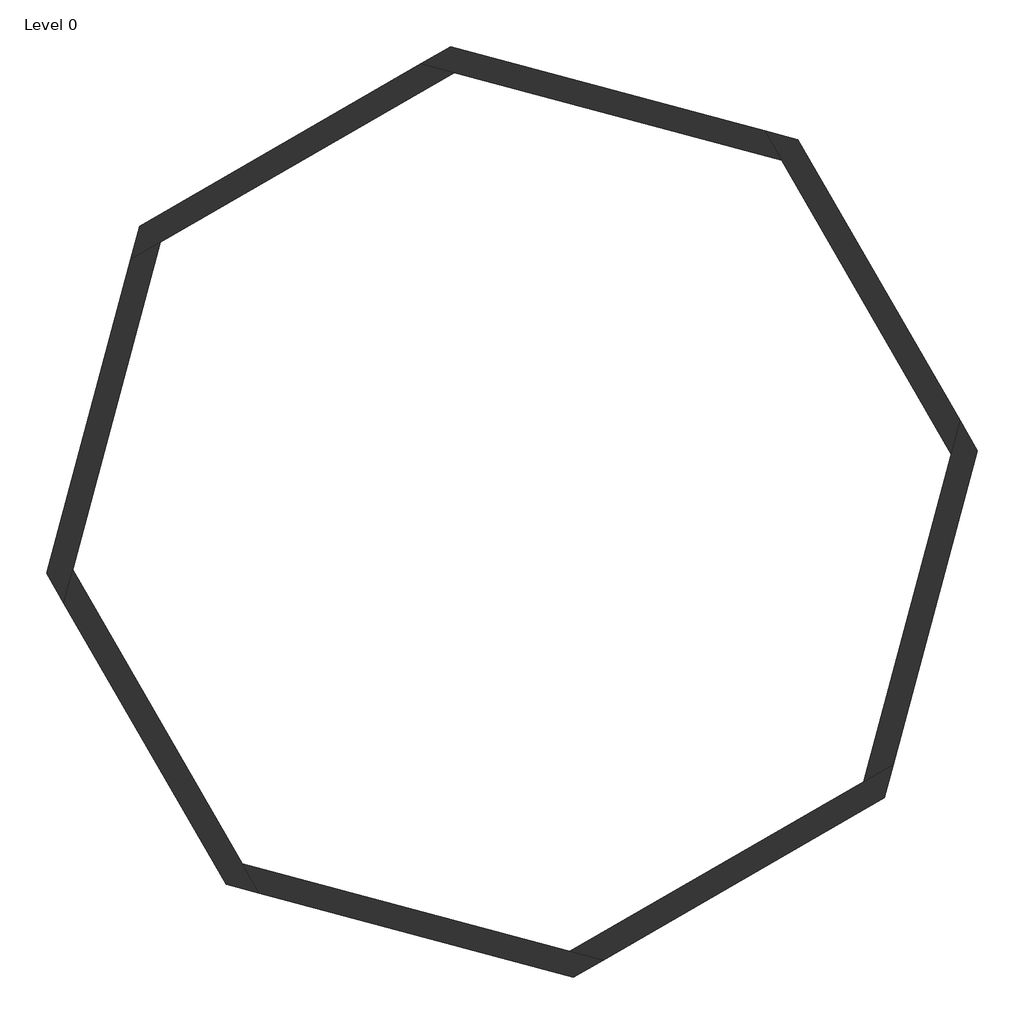
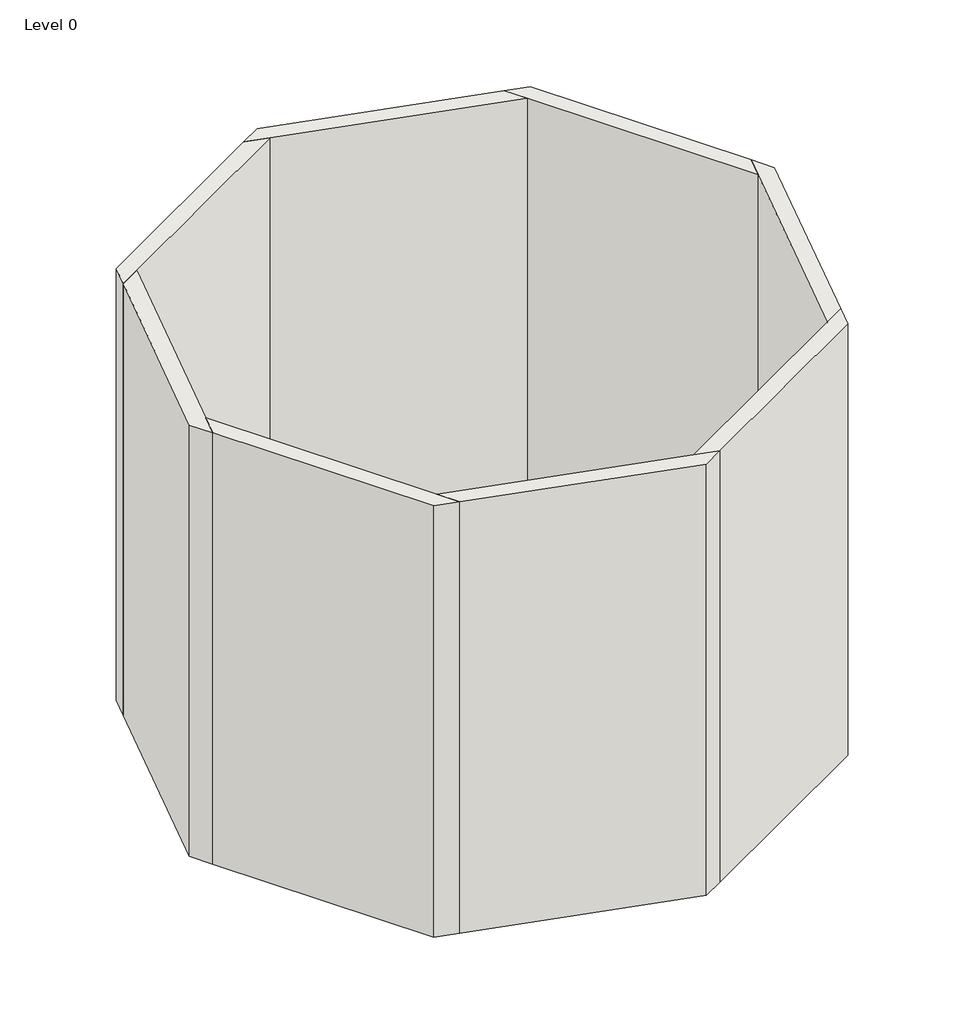
# One storey: 8 walls.
"""IFC4 building model written with IfcOpenShell, lengths in millimetres."""

import ifcopenshell
import ifcopenshell.guid

model = None  # the IFC model being written
_history = None  # IfcOwnerHistory: only IFC2X3 demands one
_inside = {}  # id of a spatial element -> (the spatial element, [elements in it])
_under = {}  # id of a project, library or spatial element -> (it, [spatial elements below it])
_declared = {}  # id of a project -> (the project, [libraries it declares])
_typed = {}  # id of a type object -> (the type object, [elements of that type])
_made_of = {}  # id of a material, layer set ... -> (it, [elements and type objects made of it])


def new_model(schema):
    """Start an empty IFC model of exactly this schema.

    Asked for "IFC4X3", IfcOpenShell would pick the latest addendum, in which some entities
    have other attributes; the version numbers below select the first issue.
    IFC2X3 requires an IfcOwnerHistory on every rooted entity: one is made here for all.
    """
    global model, _history
    if schema == "IFC4X3":
        model = ifcopenshell.file(schema_version=(4, 3, 0, 0))
    else:
        model = ifcopenshell.file(schema=schema)
    _inside.clear()
    _under.clear()
    _declared.clear()
    _typed.clear()
    _made_of.clear()
    _history = None
    if model.schema == "IFC2X3":
        org = make("IfcOrganization", Name="unknown")
        user = make(
            "IfcPersonAndOrganization",
            ThePerson=make("IfcPerson", FamilyName="unknown"),
            TheOrganization=org,
        )
        app = make(
            "IfcApplication",
            ApplicationDeveloper=org,
            Version="unknown",
            ApplicationFullName="unknown",
            ApplicationIdentifier="unknown",
        )
        _history = make(
            "IfcOwnerHistory",
            OwningUser=user,
            OwningApplication=app,
            ChangeAction="ADDED",
            CreationDate=0,
        )
    return model


def make(cls, **values):
    """One entity of the class cls with the attributes given. An attribute that is None is left unset."""
    return model.create_entity(
        cls, **{name: value for name, value in values.items() if value is not None}
    )


def rooted(cls, **values):
    """An entity with a GlobalId (a new one), such as an element, a storey or a relation."""
    return make(cls, GlobalId=ifcopenshell.guid.new(), OwnerHistory=_history, **values)


def si_unit(unit_type, name, prefix=None):
    """IfcSIUnit, for example si_unit("LENGTHUNIT", "METRE", prefix="MILLI")."""
    return make("IfcSIUnit", UnitType=unit_type, Prefix=prefix, Name=name)


def assignment(units):
    """IfcUnitAssignment: the units of a project."""
    return None if units is None else make("IfcUnitAssignment", Units=units)


def point(xyz):
    """IfcCartesianPoint."""
    return None if xyz is None else make("IfcCartesianPoint", Coordinates=xyz)


def direction(xyz):
    """IfcDirection."""
    return None if xyz is None else make("IfcDirection", DirectionRatios=xyz)


def frame(location, z_axis=None, x_axis=None):
    """IfcAxis2Placement3D, a coordinate frame: its origin and axes. An axis left out is left unset."""
    return make(
        "IfcAxis2Placement3D",
        Location=point(location),
        Axis=direction(z_axis),
        RefDirection=direction(x_axis),
    )


def origin():
    """The frame at (0, 0, 0) with its axes left unset."""
    return frame((0.0, 0.0, 0.0))


def place(relative_to, where):
    """IfcLocalPlacement: puts the frame where relative to a parent placement (None: the world)."""
    return make(
        "IfcLocalPlacement", PlacementRelTo=relative_to, RelativePlacement=where
    )


def context(
    kind, dimensions, precision=None, world=None, true_north=None, identifier=None
):
    """IfcGeometricRepresentationContext, for example the 3D "Model" context."""
    return make(
        "IfcGeometricRepresentationContext",
        ContextIdentifier=identifier,
        ContextType=kind,
        CoordinateSpaceDimension=dimensions,
        Precision=precision,
        WorldCoordinateSystem=world,
        TrueNorth=true_north,
    )


def project(units=None, contexts=None):
    """IfcProject with its units and contexts."""
    return rooted(
        "IfcProject",
        Name="project",
        RepresentationContexts=contexts,
        UnitsInContext=assignment(units),
    )


def spatial(cls, under=None, at=None, **own):
    """A site, building, storey or space (cls), placed at a placement, below another one or the project."""
    s = rooted(cls, ObjectPlacement=at, **own)
    if under is not None:
        _under.setdefault(under.id(), (under, []))[1].append(s)
    return s


def faces_of(points, faces, orient=None, outer=None):
    """IfcFace entities. A face is a list of loops; a loop is a list of indices into points, from 0.

    orient and outer hold one flag for each loop. By default every Orientation is true, the
    first loop of a face is its IfcFaceOuterBound and the others are IfcFaceBound.
    """
    made = []
    for i, loops in enumerate(faces):
        bounds = []
        for j, loop in enumerate(loops):
            is_outer = j == 0 if outer is None else outer[i][j]
            bounds.append(
                make(
                    "IfcFaceOuterBound" if is_outer else "IfcFaceBound",
                    Bound=make("IfcPolyLoop", Polygon=[points[k] for k in loop]),
                    Orientation=True if orient is None else orient[i][j],
                )
            )
        made.append(make("IfcFace", Bounds=bounds))
    return made


def faceted_brep(points, faces, orient=None, outer=None, voids=None):
    """IfcFacetedBrep: a solid bounded by flat faces; with voids (closed shells), ...WithVoids."""
    shared = [point(p) for p in points]
    hull = make("IfcClosedShell", CfsFaces=faces_of(shared, faces, orient, outer))
    if voids is None:
        return make("IfcFacetedBrep", Outer=hull)
    return make(
        "IfcFacetedBrepWithVoids",
        Outer=hull,
        Voids=[
            make(cls, CfsFaces=faces_of(shared, fs, o, b)) for cls, fs, o, b in voids
        ],
    )


def shape(context_of_items, identifier, shape_type, items):
    """IfcShapeRepresentation: the items that make up one representation, for example the "Body"."""
    return make(
        "IfcShapeRepresentation",
        ContextOfItems=context_of_items,
        RepresentationIdentifier=identifier,
        RepresentationType=shape_type,
        Items=items,
    )


def made_of(thing, what):
    """Note that an element or type object is made of a material, layer set ...; save() writes the relation."""
    if what is not None:
        _made_of.setdefault(what.id(), (what, []))[1].append(thing)
    return thing


def element(
    cls,
    number,
    at=None,
    inside=None,
    cuts=None,
    type_object=None,
    material=None,
    context=None,
    identifier="Body",
    shape_type=None,
    held_by="IfcProductDefinitionShape",
    body=None,
    shapes=None,
    **own,
):
    """One element of the class cls, such as IfcWall. Its Tag is "e" and its number.

    at: its placement. inside: the storey or other place that contains it. cuts: it is an
    opening in that element (IfcRelVoidsElement). A single representation is given by context,
    identifier, shape_type and body (its items); several are given by shapes. held_by: the class
    of the entity that holds the representations. save() writes the other relations.
    """
    e = rooted(cls, Tag="e%d" % number, ObjectPlacement=at, **own)
    if body is not None:
        shapes = [shape(context, identifier, shape_type, body)]
    if shapes is not None:
        e.Representation = make(held_by, Representations=shapes)
    if inside is not None:
        _inside.setdefault(inside.id(), (inside, []))[1].append(e)
    if cuts is not None:
        rooted(
            "IfcRelVoidsElement", RelatingBuildingElement=cuts, RelatedOpeningElement=e
        )
    if type_object is not None:
        _typed.setdefault(type_object.id(), (type_object, []))[1].append(e)
    return made_of(e, material)


def aggregate(whole, parts):
    """IfcRelAggregates: a whole, such as a stair, and the parts it consists of."""
    return rooted("IfcRelAggregates", RelatingObject=whole, RelatedObjects=parts)


def save(model, path):
    """Write the relations noted so far, then the file.

    IfcRelAggregates (storeys below a building ...), IfcRelContainedInSpatialStructure (elements
    in a storey), IfcRelDefinesByType, IfcRelAssociatesMaterial and IfcRelDeclares: one each for
    every whole, place, type object, material and project.
    """
    for whole, parts in _under.values():
        aggregate(whole, parts)
    for where, things in _inside.values():
        rooted(
            "IfcRelContainedInSpatialStructure",
            RelatedElements=things,
            RelatingStructure=where,
        )
    for kind, things in _typed.values():
        rooted("IfcRelDefinesByType", RelatedObjects=things, RelatingType=kind)
    for what, things in _made_of.values():
        rooted("IfcRelAssociatesMaterial", RelatedObjects=things, RelatingMaterial=what)
    for by, libraries in _declared.values():
        rooted("IfcRelDeclares", RelatingContext=by, RelatedDefinitions=libraries)
    model.write(path)


model = new_model("IFC4")

# Units and contexts
model_context = context("Model", 3, world=origin())
ifc_project = project(units=[si_unit("LENGTHUNIT", "METRE", prefix="MILLI")], contexts=[model_context])

# Site, building, storey
site = spatial("IfcSite", under=ifc_project)
building = spatial("IfcBuilding", under=site)
storey = spatial("IfcBuildingStorey", under=building, Name="Level 0", Elevation=0.0)

# Walls
placement = place(None, origin())
element("IfcWall", 1, at=placement, inside=storey, context=model_context, shape_type="Brep", body=[
    faceted_brep([(27394.3538776, -126.9378532, 0.0), (28397.6207927, 3617.3052475, 0.0), (28397.6207927, 3617.3052475, 8000.0), (27394.3538776, -126.9378532, 8000.0), (27039.1778649, -331.9988197, 0.0), (27039.1778649, -331.9988197, 8000.0), (28086.412459, 3576.3338931, 8000.0), (28192.5598261, 3972.4812602, 8000.0), (28192.5598261, 3972.4812602, 0.0), (28086.412459, 3576.3338931, 0.0)], [[[0, 1, 2, 3]], [[4, 5, 6, 7, 8, 9]], [[1, 0, 4, 9, 8]], [[3, 2, 7, 6, 5]], [[2, 1, 8, 7]], [[0, 3, 5, 4]]]),
])
element("IfcWall", 2, at=placement, inside=storey, context=model_context, shape_type="Brep", body=[
    faceted_brep([(28192.5598261, 3972.4812602, 0.0), (26254.3969782, 7329.477786, 0.0), (26254.3969782, 7329.477786, 8000.0), (28192.5598261, 3972.4812602, 8000.0), (28086.412459, 3576.3338931, 0.0), (28086.412459, 3576.3338931, 8000.0), (26063.3105777, 7080.4491404, 8000.0), (25858.2496111, 7435.6251531, 8000.0), (25858.2496111, 7435.6251531, 0.0), (26063.3105777, 7080.4491404, 0.0)], [[[0, 1, 2, 3]], [[4, 5, 6, 7, 8, 9]], [[1, 0, 4, 9, 8]], [[3, 2, 7, 6, 5]], [[2, 1, 8, 7]], [[0, 3, 5, 4]]]),
])
element("IfcWall", 3, at=placement, inside=storey, context=model_context, shape_type="Brep", body=[
    faceted_brep([(25858.2496111, 7435.6251531, 0.0), (22114.0065105, 8438.8920682, 0.0), (22114.0065105, 8438.8920682, 8000.0), (25858.2496111, 7435.6251531, 8000.0), (26063.3105777, 7080.4491404, 0.0), (26063.3105777, 7080.4491404, 8000.0), (22154.9778649, 8127.6837346, 8000.0), (21758.8304978, 8233.8311017, 8000.0), (21758.8304978, 8233.8311017, 0.0), (22154.9778649, 8127.6837346, 0.0)], [[[0, 1, 2, 3]], [[4, 5, 6, 7, 8, 9]], [[1, 0, 4, 9, 8]], [[3, 2, 7, 6, 5]], [[2, 1, 8, 7]], [[0, 3, 5, 4]]]),
])
element("IfcWall", 4, at=placement, inside=storey, context=model_context, shape_type="Brep", body=[
    faceted_brep([(21758.8304978, 8233.8311017, 0.0), (18401.8339719, 6295.6682538, 0.0), (18401.8339719, 6295.6682538, 8000.0), (21758.8304978, 8233.8311017, 8000.0), (22154.9778649, 8127.6837346, 0.0), (22154.9778649, 8127.6837346, 8000.0), (18650.8626175, 6104.5818532, 8000.0), (18295.6866048, 5899.5208867, 8000.0), (18295.6866048, 5899.5208867, 0.0), (18650.8626175, 6104.5818532, 0.0)], [[[0, 1, 2, 3]], [[4, 5, 6, 7, 8, 9]], [[1, 0, 4, 9, 8]], [[3, 2, 7, 6, 5]], [[2, 1, 8, 7]], [[0, 3, 5, 4]]]),
])
element("IfcWall", 5, at=placement, inside=storey, context=model_context, shape_type="Brep", body=[
    faceted_brep([(18295.6866048, 5899.5208867, 0.0), (17292.4196897, 2155.277786, 0.0), (17292.4196897, 2155.277786, 8000.0), (18295.6866048, 5899.5208867, 8000.0), (18650.8626175, 6104.5818532, 0.0), (18650.8626175, 6104.5818532, 8000.0), (17603.6280234, 2196.2491404, 8000.0), (17497.4806563, 1800.1017733, 8000.0), (17497.4806563, 1800.1017733, 0.0), (17603.6280234, 2196.2491404, 0.0)], [[[0, 1, 2, 3]], [[4, 5, 6, 7, 8, 9]], [[1, 0, 4, 9, 8]], [[3, 2, 7, 6, 5]], [[2, 1, 8, 7]], [[0, 3, 5, 4]]]),
])
element("IfcWall", 6, at=placement, inside=storey, context=model_context, shape_type="Brep", body=[
    faceted_brep([(17497.4806563, 1800.1017733, 0.0), (19435.6435041, -1556.8947525, 0.0), (19435.6435041, -1556.8947525, 8000.0), (17497.4806563, 1800.1017733, 8000.0), (17603.6280234, 2196.2491404, 0.0), (17603.6280234, 2196.2491404, 8000.0), (19626.7299047, -1307.8661069, 8000.0), (19831.7908712, -1663.0421196, 8000.0), (19831.7908712, -1663.0421196, 0.0), (19626.7299047, -1307.8661069, 0.0)], [[[0, 1, 2, 3]], [[4, 5, 6, 7, 8, 9]], [[1, 0, 4, 9, 8]], [[3, 2, 7, 6, 5]], [[2, 1, 8, 7]], [[0, 3, 5, 4]]]),
])
element("IfcWall", 7, at=placement, inside=storey, context=model_context, shape_type="Brep", body=[
    faceted_brep([(19831.7908712, -1663.0421196, 0.0), (23576.0339719, -2666.3090347, 0.0), (23576.0339719, -2666.3090347, 8000.0), (19831.7908712, -1663.0421196, 8000.0), (19626.7299047, -1307.8661069, 0.0), (19626.7299047, -1307.8661069, 8000.0), (23535.0626175, -2355.1007011, 8000.0), (23931.2099846, -2461.2480682, 8000.0), (23931.2099846, -2461.2480682, 0.0), (23535.0626175, -2355.1007011, 0.0)], [[[0, 1, 2, 3]], [[4, 5, 6, 7, 8, 9]], [[1, 0, 4, 9, 8]], [[3, 2, 7, 6, 5]], [[2, 1, 8, 7]], [[0, 3, 5, 4]]]),
])
element("IfcWall", 8, at=placement, inside=storey, context=model_context, shape_type="Brep", body=[
    faceted_brep([(23931.2099846, -2461.2480682, 0.0), (27288.2065105, -523.0852203, 0.0), (27288.2065105, -523.0852203, 8000.0), (23931.2099846, -2461.2480682, 8000.0), (23535.0626175, -2355.1007011, 0.0), (23535.0626175, -2355.1007011, 8000.0), (27039.1778649, -331.9988197, 8000.0), (27394.3538776, -126.9378532, 8000.0), (27394.3538776, -126.9378532, 0.0), (27039.1778649, -331.9988197, 0.0)], [[[0, 1, 2, 3]], [[4, 5, 6, 7, 8, 9]], [[1, 0, 4, 9, 8]], [[3, 2, 7, 6, 5]], [[2, 1, 8, 7]], [[0, 3, 5, 4]]]),
])

save(model, "model.ifc")
